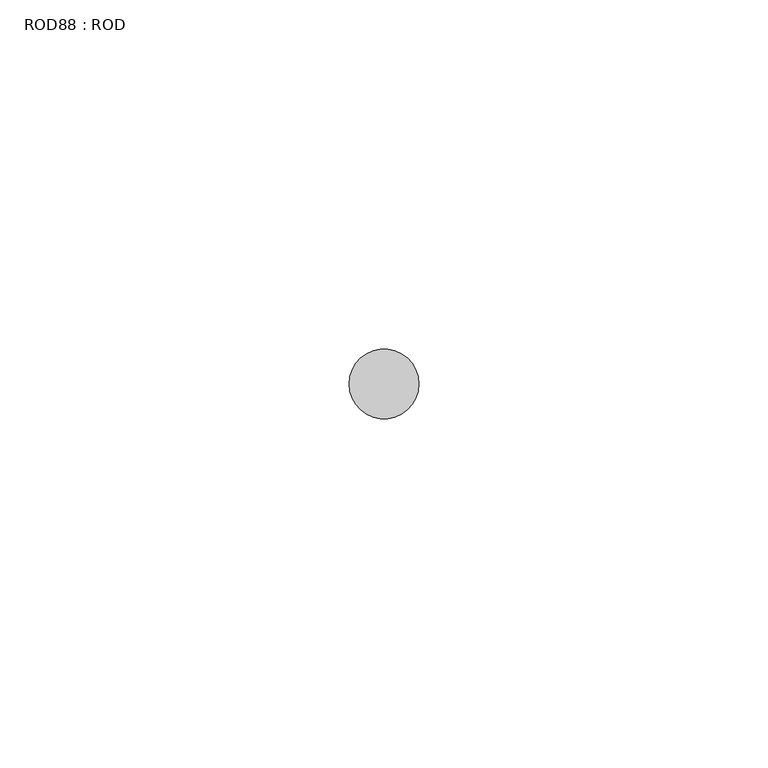
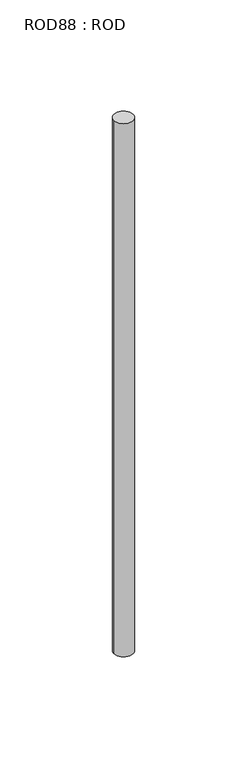
"""IFC4 building model written with IfcOpenShell, lengths in millimetres: proxy geometry, ROD88 : ROD."""

from ifc_helpers import new_model, si_unit, point, frame, frame_2d, origin, place, context, project, spatial, circle_curve, trimmed, segment, composite_curve, outline, extrude, source, transform, mapped, element, save


def rod88_rod_de75f667(model_context):
    return source(origin(), model_context, "Body", "SweptSolid", [
        extrude(outline(composite_curve([segment(trimmed(circle_curve(frame_2d((-9120.2326676, -12414.6300853)), 5.0), [point((-9125.2326676, -12414.6300853))], [point((-9115.2326676, -12414.6300853))], False, "CARTESIAN"), True, "CONTINUOUS"), segment(trimmed(circle_curve(frame_2d((-9120.2326676, -12414.6300853)), 5.0), [point((-9115.2326676, -12414.6300853))], [point((-9125.2326676, -12414.6300853))], False, "CARTESIAN"), True, "CONTINUOUS")], self_intersect=False)), frame((0.0, 0.0, -208.6608845), z_axis=(0.0, 0.0, 1.0), x_axis=(1.0, 0.0, 0.0)), (0.0, 0.0, 1.0), 298.9028972),
    ])


if __name__ == "__main__":
    model = new_model("IFC4")
    model_context = context("Model", 3, world=origin())
    ifc_project = project(units=[si_unit("LENGTHUNIT", "METRE", prefix="MILLI")], contexts=[model_context])
    site = spatial("IfcSite", under=ifc_project)
    building = spatial("IfcBuilding", under=site)
    placement = place(None, origin())
    rod88_rod_shape = rod88_rod_de75f667(model_context)
    element("IfcBuildingElementProxy", 1, Name="ROD88 : ROD", ObjectType="ROD88 : ROD", at=placement, inside=building, context=model_context, shape_type="MappedRepresentation", body=[
        mapped(rod88_rod_shape, transform((0.0, 0.0, 0.0), x_axis=(1.0, 0.0, 0.0), y_axis=(0.0, 1.0, 0.0), z_axis=(0.0, 0.0, 1.0))),
    ])
    save(model, "model.ifc")
